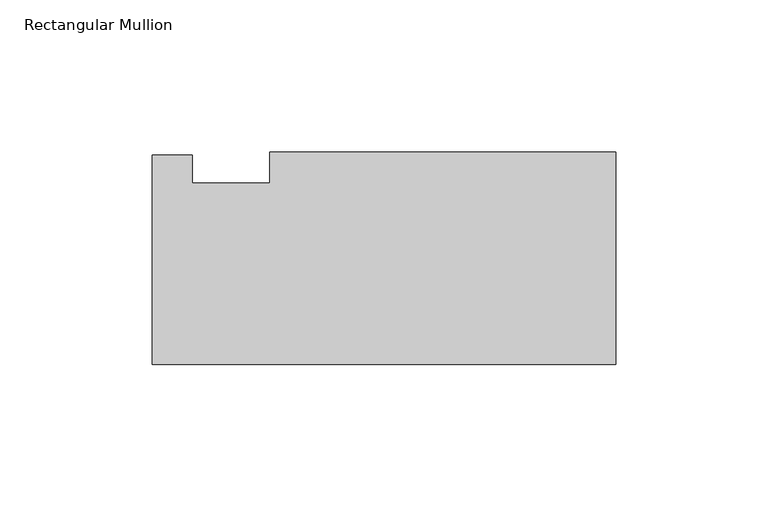
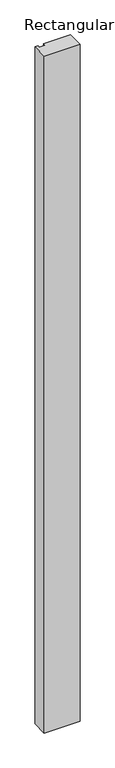
"""IFC4 building model written with IfcOpenShell, lengths in millimetres: member geometry, Rectangular Mullion."""

from ifc_helpers import new_model, si_unit, frame, origin, place, context, project, spatial, polyline, outline, extrude, source, transform, mapped, element, save


def rectangular_mullion_a093e931(model_context):
    return source(origin(), model_context, "Body", "SweptSolid", [
        extrude(outline(polyline([(-152.4, 34.4424), (-139.2350554, 34.4424), (-139.2350554, 25.2476), (-113.8163086, 25.2476), (-113.8163086, 35.4076), (0.0, 35.4076), (0.0, -34.4424), (-152.4, -34.4424), (-152.4, 34.4424)])), frame((0.0, 0.0, -3048.0), z_axis=(0.0, 0.0, 1.0), x_axis=(1.0, 0.0, 0.0)), (0.0, 0.0, 1.0), 3048.0),
    ])


if __name__ == "__main__":
    model = new_model("IFC4")
    model_context = context("Model", 3, world=origin())
    ifc_project = project(units=[si_unit("LENGTHUNIT", "METRE", prefix="MILLI")], contexts=[model_context])
    site = spatial("IfcSite", under=ifc_project)
    building = spatial("IfcBuilding", under=site)
    placement = place(None, origin())
    rectangular_mullion_shape = rectangular_mullion_a093e931(model_context)
    element("IfcMember", 1, ObjectType="Rectangular Mullion", at=placement, inside=building, context=model_context, shape_type="MappedRepresentation", body=[
        mapped(rectangular_mullion_shape, transform((0.0, 0.0, 0.0), x_axis=(1.0, 0.0, 0.0), y_axis=(0.0, 1.0, 0.0), z_axis=(0.0, 0.0, 1.0))),
    ])
    save(model, "model.ifc")
